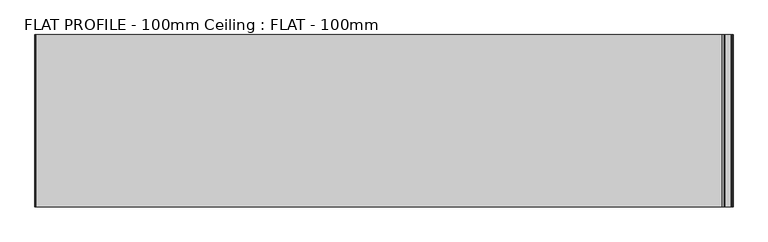
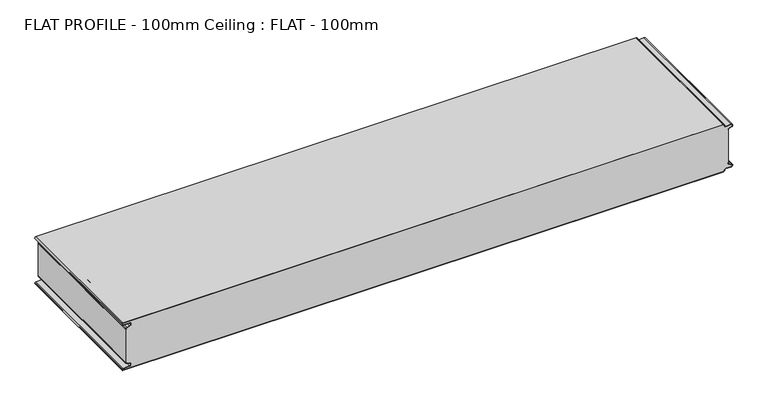
"""IFC4 building model written with IfcOpenShell, lengths in millimetres: proxy geometry, FLAT PROFILE - 100mm Ceiling : FLAT - 100mm."""

from ifc_helpers import new_model, si_unit, point, frame, frame_2d, origin, place, context, project, spatial, polyline, circle_curve, trimmed, segment, composite_curve, outline, extrude, source, transform, mapped, element, save


def flat_profile_100mm_ceiling_flat_100mm_9efc40f8(model_context):
    return source(origin(), model_context, "Body", "SweptSolid", [
        extrude(outline(composite_curve([segment(trimmed(circle_curve(frame_2d((-591.0050311, -35.1831943)), 1.0022625), [point((-591.3794419, -36.1128969))], [point((-591.9881924, -35.3779356))], False, "CARTESIAN"), True, "CONTINUOUS"), segment(polyline([(-591.9881924, -35.3779356), (-591.9881924, -34.2522213), (-592.9881924, -34.2522213), (-592.9881924, 34.2522214), (-591.9881924, 34.2522214), (-591.9881924, 35.377932)]), True, "CONTINUOUS"), segment(trimmed(circle_curve(frame_2d((-591.0050311, 35.1831907)), 1.0022625), [point((-591.9881924, 35.377932))], [point((-591.3794419, 36.1128933))], False, "CARTESIAN"), True, "CONTINUOUS"), segment(polyline([(-591.3794419, 36.1128933), (-589.3904999, 36.913882), (-583.8995097, 38.912439)]), True, "CONTINUOUS"), segment(trimmed(circle_curve(frame_2d((-585.2882153, 42.3376458)), 3.6960175), [point((-583.8995097, 38.912439))], [point((-584.9273771, 46.016007))], True, "CARTESIAN"), True, "CONTINUOUS"), segment(polyline([(-584.9273771, 46.016007), (-597.3733883, 46.016007)]), True, "CONTINUOUS"), segment(trimmed(circle_curve(frame_2d((-597.4921978, 47.5112944)), 1.5), [point((-597.3733883, 46.016007))], [point((-597.3084562, 48.9999982))], False, "CARTESIAN"), True, "CONTINUOUS"), segment(polyline([(-597.3084562, 48.9999982), (596.902372, 48.9999982)]), True, "CONTINUOUS"), segment(trimmed(circle_curve(frame_2d((596.9047345, 47.4926422)), 1.5073578), [point((596.902372, 48.9999982))], [point((598.4115951, 47.4539301))], False, "CARTESIAN"), True, "CONTINUOUS"), segment(trimmed(circle_curve(frame_2d((601.9112919, 47.4999982)), 3.5), [point((598.4115951, 47.4539301))], [point((601.9112919, 43.9999982))], True, "CARTESIAN"), True, "CONTINUOUS"), segment(polyline([(601.9112919, 43.9999982), (612.3116271, 43.9999982)]), True, "CONTINUOUS"), segment(trimmed(circle_curve(frame_2d((612.3116271, 41.8999982)), 2.1), [point((612.3116271, 43.9999982))], [point((613.0435993, 39.9316952))], False, "CARTESIAN"), True, "CONTINUOUS"), segment(polyline([(613.0435993, 39.9316952), (610.7828028, 39.1062965), (607.8546835, 37.9154119)]), True, "CONTINUOUS"), segment(trimmed(circle_curve(frame_2d((608.9399875, 35.2468917)), 2.8807786), [point((607.8546835, 37.9154119))], [point((606.0682599, 35.4750703))], True, "CARTESIAN"), True, "CONTINUOUS"), segment(polyline([(606.0682599, 35.4750703), (606.0107004, 34.2522196), (607.0118076, 34.2522196), (607.0118076, -34.2522232), (606.0107004, -34.2522232), (606.0682599, -35.475074)]), True, "CONTINUOUS"), segment(trimmed(circle_curve(frame_2d((608.9399875, -35.2468953)), 2.8807786), [point((606.0682599, -35.475074))], [point((607.8546835, -37.9154155))], True, "CARTESIAN"), True, "CONTINUOUS"), segment(polyline([(607.8546835, -37.9154155), (610.7828028, -39.1063001), (613.0435993, -39.9316988)]), True, "CONTINUOUS"), segment(trimmed(circle_curve(frame_2d((612.3116271, -41.9000018)), 2.1), [point((613.0435993, -39.9316988))], [point((612.3116271, -44.0000018))], False, "CARTESIAN"), True, "CONTINUOUS"), segment(polyline([(612.3116271, -44.0000018), (601.9112919, -44.0000018)]), True, "CONTINUOUS"), segment(trimmed(circle_curve(frame_2d((601.9112919, -47.5000018)), 3.5), [point((601.9112919, -44.0000018))], [point((598.4115951, -47.4539337))], True, "CARTESIAN"), True, "CONTINUOUS"), segment(trimmed(circle_curve(frame_2d((596.9047345, -47.4926459)), 1.5073578), [point((598.4115951, -47.4539337))], [point((596.902372, -49.0000018))], False, "CARTESIAN"), True, "CONTINUOUS"), segment(polyline([(596.902372, -49.0000018), (-597.3084562, -49.0000018)]), True, "CONTINUOUS"), segment(trimmed(circle_curve(frame_2d((-597.4921978, -47.511298)), 1.5), [point((-597.3084562, -49.0000018))], [point((-597.3733883, -46.0160106))], False, "CARTESIAN"), True, "CONTINUOUS"), segment(polyline([(-597.3733883, -46.0160106), (-584.9273771, -46.0160106)]), True, "CONTINUOUS"), segment(trimmed(circle_curve(frame_2d((-585.2882153, -42.3376495)), 3.6960175), [point((-584.9273771, -46.0160106))], [point((-583.8995097, -38.9124426))], True, "CARTESIAN"), True, "CONTINUOUS"), segment(polyline([(-583.8995097, -38.9124426), (-589.3904999, -36.9138856), (-591.3794419, -36.1128969)]), True, "CONTINUOUS")], self_intersect=False)), frame((0.0, -2199.9999985, 2499.9999965), z_axis=(0.0, -1.0, 6.810223529074839e-10), x_axis=(1.0, 0.0, 0.0)), (0.0, 0.0, 1.0), 300.0000017),
        extrude(outline(composite_curve([segment(polyline([(-591.3794419, -36.112895), (-589.3904999, -36.9138837), (-583.8995097, -38.9124407)]), True, "CONTINUOUS"), segment(trimmed(circle_curve(frame_2d((-585.2882153, -42.3376476)), 3.6960175), [point((-583.8995097, -38.9124407))], [point((-584.9273771, -46.0160088))], False, "CARTESIAN"), True, "CONTINUOUS"), segment(polyline([(-584.9273771, -46.0160088), (-597.3733883, -46.0160088)]), True, "CONTINUOUS"), segment(trimmed(circle_curve(frame_2d((-597.4921978, -47.5112962)), 1.5), [point((-597.3733883, -46.0160088))], [point((-597.3084562, -49.0))], True, "CARTESIAN"), True, "CONTINUOUS"), segment(polyline([(-597.3084562, -49.0), (596.902372, -49.0)]), True, "CONTINUOUS"), segment(trimmed(circle_curve(frame_2d((596.9047345, -47.492644)), 1.5073578), [point((596.902372, -49.0))], [point((598.4115951, -47.4539318))], True, "CARTESIAN"), True, "CONTINUOUS"), segment(trimmed(circle_curve(frame_2d((601.9112919, -47.5)), 3.5), [point((598.4115951, -47.4539318))], [point((601.9112919, -44.0))], False, "CARTESIAN"), True, "CONTINUOUS"), segment(polyline([(601.9112919, -44.0), (612.3116271, -44.0)]), True, "CONTINUOUS"), segment(trimmed(circle_curve(frame_2d((612.3116271, -41.9)), 2.1), [point((612.3116271, -44.0))], [point((613.0435993, -39.9316969))], True, "CARTESIAN"), True, "CONTINUOUS"), segment(polyline([(613.0435993, -39.9316969), (610.7828028, -39.1062982), (607.8546835, -37.9154137)]), True, "CONTINUOUS"), segment(trimmed(circle_curve(frame_2d((608.9399875, -35.2468934)), 2.8807786), [point((607.8546835, -37.9154137))], [point((606.0682599, -35.4750721))], False, "CARTESIAN"), True, "CONTINUOUS"), segment(polyline([(606.0682599, -35.4750721), (606.0107004, -34.2522213), (607.0118076, -34.2522213), (607.0118076, -35.4591032)]), True, "CONTINUOUS"), segment(trimmed(circle_curve(frame_2d((609.0514567, -35.1592647)), 2.0615701), [point((607.0118076, -35.4591032))], [point((608.2411829, -37.054925))], True, "CARTESIAN"), True, "CONTINUOUS"), segment(polyline([(608.2411829, -37.054925), (611.1427659, -38.1731559), (613.3890842, -38.9932688)]), True, "CONTINUOUS"), segment(trimmed(circle_curve(frame_2d((612.3116271, -41.9)), 3.1), [point((613.3890842, -38.9932688))], [point((612.3116271, -45.0))], False, "CARTESIAN"), True, "CONTINUOUS"), segment(polyline([(612.3116271, -45.0), (601.9112919, -45.0)]), True, "CONTINUOUS"), segment(trimmed(circle_curve(frame_2d((601.9112919, -47.5)), 2.5), [point((601.9112919, -45.0))], [point((599.4117582, -47.4517157))], True, "CARTESIAN"), True, "CONTINUOUS"), segment(trimmed(circle_curve(frame_2d((596.9047345, -47.492644)), 2.5073578), [point((599.4117582, -47.4517157))], [point((596.9016875, -50.0))], False, "CARTESIAN"), True, "CONTINUOUS"), segment(polyline([(596.9016875, -50.0), (-597.2548091, -50.0)]), True, "CONTINUOUS"), segment(trimmed(circle_curve(frame_2d((-597.4921978, -47.5112962)), 2.5), [point((-597.2548091, -50.0))], [point((-597.3387672, -45.0160088))], False, "CARTESIAN"), True, "CONTINUOUS"), segment(polyline([(-597.3387672, -45.0160088), (-584.9801705, -45.0160088)]), True, "CONTINUOUS"), segment(trimmed(circle_curve(frame_2d((-585.2882153, -42.3376476)), 2.6960175), [point((-584.9801705, -45.0160088))], [point((-584.2598383, -39.8454696))], True, "CARTESIAN"), True, "CONTINUOUS"), segment(polyline([(-584.2598383, -39.8454696), (-589.7483949, -37.8477984), (-591.7530074, -37.0404988)]), True, "CONTINUOUS"), segment(trimmed(circle_curve(frame_2d((-591.0050311, -35.1831925)), 2.0022625), [point((-591.7530074, -37.0404988))], [point((-592.9881924, -35.4591032))], False, "CARTESIAN"), True, "CONTINUOUS"), segment(polyline([(-592.9881924, -35.4591032), (-592.9881924, -34.2522195), (-591.9881924, -34.2522195), (-591.9881924, -35.3779338)]), True, "CONTINUOUS"), segment(trimmed(circle_curve(frame_2d((-591.0050311, -35.1831925)), 1.0022625), [point((-591.9881924, -35.3779338))], [point((-591.3794419, -36.112895))], True, "CARTESIAN"), True, "CONTINUOUS")], self_intersect=False)), frame((0.0, -2199.9999968, 2500.0000099), z_axis=(0.0, -1.0, 6.810223529074839e-10), x_axis=(1.0, 0.0, 0.0)), (0.0, 0.0, 1.0), 300.0000017),
        extrude(outline(composite_curve([segment(trimmed(circle_curve(frame_2d((-591.0050311, 35.1831926)), 1.0022625), [point((-591.3794419, 36.1128951))], [point((-591.9881924, 35.3779338))], True, "CARTESIAN"), True, "CONTINUOUS"), segment(polyline([(-591.9881924, 35.3779338), (-591.9881924, 34.2522196), (-592.9881924, 34.2522196), (-592.9881924, 35.4591033)]), True, "CONTINUOUS"), segment(trimmed(circle_curve(frame_2d((-591.0050311, 35.1831926)), 2.0022625), [point((-592.9881924, 35.4591033))], [point((-591.7530074, 37.0404989))], False, "CARTESIAN"), True, "CONTINUOUS"), segment(polyline([(-591.7530074, 37.0404989), (-589.7483949, 37.8477985), (-584.2598383, 39.8454697)]), True, "CONTINUOUS"), segment(trimmed(circle_curve(frame_2d((-585.2882153, 42.3376477)), 2.6960175), [point((-584.2598383, 39.8454697))], [point((-584.9801705, 45.0160089))], True, "CARTESIAN"), True, "CONTINUOUS"), segment(polyline([(-584.9801705, 45.0160089), (-597.3387672, 45.0160089)]), True, "CONTINUOUS"), segment(trimmed(circle_curve(frame_2d((-597.4921978, 47.5112962)), 2.5), [point((-597.3387672, 45.0160089))], [point((-597.2548091, 50.0))], False, "CARTESIAN"), True, "CONTINUOUS"), segment(polyline([(-597.2548091, 50.0), (596.9016875, 50.0)]), True, "CONTINUOUS"), segment(trimmed(circle_curve(frame_2d((596.9047345, 47.4926441)), 2.5073578), [point((596.9016875, 50.0))], [point((599.4117582, 47.4517158))], False, "CARTESIAN"), True, "CONTINUOUS"), segment(trimmed(circle_curve(frame_2d((601.9112919, 47.5)), 2.5), [point((599.4117582, 47.4517158))], [point((601.9112919, 45.0))], True, "CARTESIAN"), True, "CONTINUOUS"), segment(polyline([(601.9112919, 45.0), (612.3116271, 45.0)]), True, "CONTINUOUS"), segment(trimmed(circle_curve(frame_2d((612.3116271, 41.9)), 3.1), [point((612.3116271, 45.0))], [point((613.3890842, 38.9932688))], False, "CARTESIAN"), True, "CONTINUOUS"), segment(polyline([(613.3890842, 38.9932688), (611.1427659, 38.173156), (608.2411829, 37.054925)]), True, "CONTINUOUS"), segment(trimmed(circle_curve(frame_2d((609.0514567, 35.1592648)), 2.0615701), [point((608.2411829, 37.054925))], [point((607.0118076, 35.4591033))], True, "CARTESIAN"), True, "CONTINUOUS"), segment(polyline([(607.0118076, 35.4591033), (607.0118076, 34.2522214), (606.0107004, 34.2522214), (606.0682599, 35.4750722)]), True, "CONTINUOUS"), segment(trimmed(circle_curve(frame_2d((608.9399875, 35.2468935)), 2.8807786), [point((606.0682599, 35.4750722))], [point((607.8546835, 37.9154138))], False, "CARTESIAN"), True, "CONTINUOUS"), segment(polyline([(607.8546835, 37.9154138), (610.7828028, 39.1062983), (613.0435993, 39.931697)]), True, "CONTINUOUS"), segment(trimmed(circle_curve(frame_2d((612.3116271, 41.9)), 2.1), [point((613.0435993, 39.931697))], [point((612.3116271, 44.0))], True, "CARTESIAN"), True, "CONTINUOUS"), segment(polyline([(612.3116271, 44.0), (601.9112919, 44.0)]), True, "CONTINUOUS"), segment(trimmed(circle_curve(frame_2d((601.9112919, 47.5)), 3.5), [point((601.9112919, 44.0))], [point((598.4115951, 47.4539319))], False, "CARTESIAN"), True, "CONTINUOUS"), segment(trimmed(circle_curve(frame_2d((596.9047345, 47.4926441)), 1.5073578), [point((598.4115951, 47.4539319))], [point((596.902372, 49.0))], True, "CARTESIAN"), True, "CONTINUOUS"), segment(polyline([(596.902372, 49.0), (-597.3084562, 49.0)]), True, "CONTINUOUS"), segment(trimmed(circle_curve(frame_2d((-597.4921978, 47.5112962)), 1.5), [point((-597.3084562, 49.0))], [point((-597.3733883, 46.0160089))], True, "CARTESIAN"), True, "CONTINUOUS"), segment(polyline([(-597.3733883, 46.0160089), (-584.9273771, 46.0160089)]), True, "CONTINUOUS"), segment(trimmed(circle_curve(frame_2d((-585.2882153, 42.3376477)), 3.6960175), [point((-584.9273771, 46.0160089))], [point((-583.8995097, 38.9124408))], False, "CARTESIAN"), True, "CONTINUOUS"), segment(polyline([(-583.8995097, 38.9124408), (-589.3904999, 36.9138838), (-591.3794419, 36.1128951)]), True, "CONTINUOUS")], self_intersect=False)), frame((0.0, -2199.9999968, 2500.0000099), z_axis=(0.0, -1.0, 6.810223529074839e-10), x_axis=(1.0, 0.0, 0.0)), (0.0, 0.0, 1.0), 300.0000017),
    ])


if __name__ == "__main__":
    model = new_model("IFC4")
    model_context = context("Model", 3, world=origin())
    ifc_project = project(units=[si_unit("LENGTHUNIT", "METRE", prefix="MILLI")], contexts=[model_context])
    site = spatial("IfcSite", under=ifc_project)
    building = spatial("IfcBuilding", under=site)
    placement = place(None, origin())
    flat_profile_100mm_ceiling_flat_100mm_shape = flat_profile_100mm_ceiling_flat_100mm_9efc40f8(model_context)
    element("IfcBuildingElementProxy", 1, Name="FLAT PROFILE - 100mm Ceiling : FLAT - 100mm", ObjectType="FLAT PROFILE - 100mm Ceiling : FLAT - 100mm", at=placement, inside=building, context=model_context, shape_type="MappedRepresentation", body=[
        mapped(flat_profile_100mm_ceiling_flat_100mm_shape, transform((0.0, 0.0, 0.0), x_axis=(1.0, 0.0, 0.0), y_axis=(0.0, 1.0, 0.0), z_axis=(0.0, 0.0, 1.0))),
    ])
    save(model, "model.ifc")
